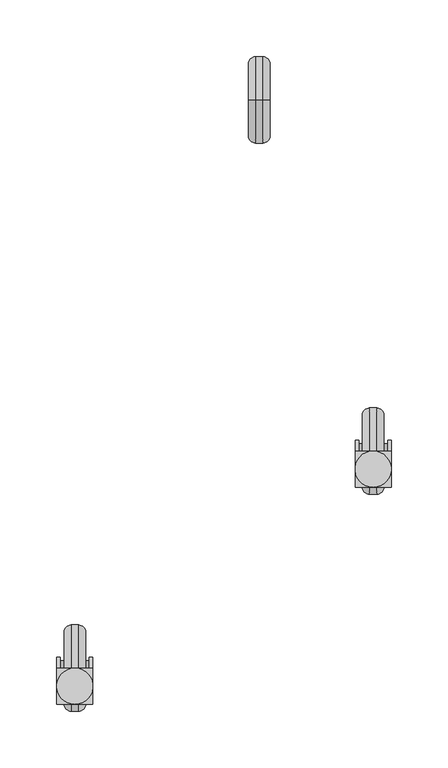
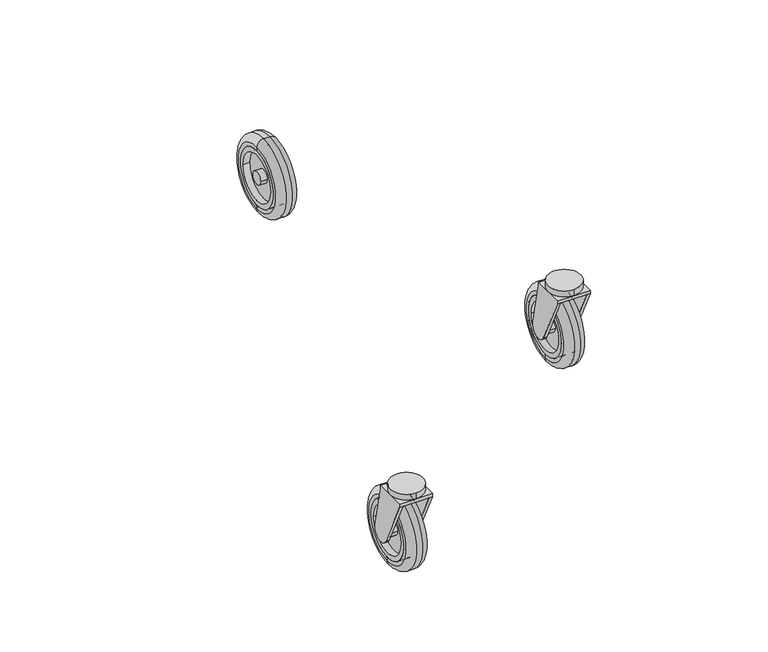
"""IFC4 building model written with IfcOpenShell, lengths in millimetres: proxy geometry."""

from ifc_helpers import new_model, si_unit, point, frame, frame_2d, origin, place, context, project, spatial, polyline, circle_curve, ellipse_curve, trimmed, segment, composite_curve, outline, extrude, source, transform, mapped, element, save
from ifc_brep_helpers import plane_surface, cylinder_surface, revolved_surface, advanced_brep


def specialty_equipment_63fafa33(model_context):
    return source(origin(), model_context, "Body", "SolidModel", [
        advanced_brep(
        [(-9.525, -260.35, 6.35), (-9.525, -260.35, 69.85), (-3.175, -260.35, 76.2), (-3.175, -260.35, 0.0), (-9.525, -260.35, 10.16), (-9.525, -260.35, 66.04), (9.525, -260.35, 10.16), (9.525, -260.35, 66.04), (9.525, -260.35, 6.35), (9.525, -260.35, 69.85), (3.175, -260.35, 0.0), (3.175, -260.35, 76.2)],
        [
            (0, 1, circle_curve(frame((-9.525, -260.35, 38.1), z_axis=(1.0, 0.0, 0.0), x_axis=(0.0, 0.0, 1.0)), 31.75)),
            (1, 2, circle_curve(frame((-3.175, -260.35, 69.85), z_axis=(0.0, 1.0, 0.0), x_axis=(1.0, 0.0, 0.0)), 6.35)),
            (2, 3, circle_curve(frame((-3.175, -260.35, 38.1), z_axis=(-1.0, 0.0, 0.0), x_axis=(0.0, 0.0, 1.0)), 38.1)),
            (3, 0, circle_curve(frame((-3.175, -260.35, 6.35), z_axis=(0.0, 1.0, 0.0), x_axis=(1.0, 0.0, 0.0)), 6.35)),
            (1, 0, circle_curve(frame((-9.525, -260.35, 38.1), z_axis=(1.0, 0.0, 0.0), x_axis=(0.0, 0.0, 1.0)), 31.75)),
            (3, 2, circle_curve(frame((-3.175, -260.35, 38.1), z_axis=(-1.0, 0.0, 0.0), x_axis=(0.0, 0.0, 1.0)), 38.1)),
            (4, 5, circle_curve(frame((-9.525, -260.35, 38.1), z_axis=(1.0, 0.0, 0.0), x_axis=(0.0, 0.0, 1.0)), 27.94)),
            (5, 1),
            (0, 4),
            (5, 4, circle_curve(frame((-9.525, -260.35, 38.1), z_axis=(1.0, 0.0, 0.0), x_axis=(0.0, 0.0, 1.0)), 27.94)),
            (6, 7, circle_curve(frame((9.525, -260.35, 38.1), z_axis=(1.0, 0.0, 0.0), x_axis=(0.0, 0.0, 1.0)), 27.94)),
            (7, 5),
            (4, 6),
            (7, 6, circle_curve(frame((9.525, -260.35, 38.1), z_axis=(1.0, 0.0, 0.0), x_axis=(0.0, 0.0, 1.0)), 27.94)),
            (8, 9, circle_curve(frame((9.525, -260.35, 38.1), z_axis=(1.0, 0.0, 0.0), x_axis=(0.0, 0.0, 1.0)), 31.75)),
            (9, 7),
            (6, 8),
            (9, 8, circle_curve(frame((9.525, -260.35, 38.1), z_axis=(1.0, 0.0, 0.0), x_axis=(0.0, 0.0, 1.0)), 31.75)),
            (10, 11, circle_curve(frame((3.175, -260.35, 38.1), z_axis=(1.0, 0.0, 0.0), x_axis=(0.0, 0.0, 1.0)), 38.1)),
            (11, 9, circle_curve(frame((3.175, -260.35, 69.85), z_axis=(0.0, 1.0, 0.0), x_axis=(1.0, 0.0, 0.0)), 6.35)),
            (8, 10, circle_curve(frame((3.175, -260.35, 6.35), z_axis=(0.0, 1.0, 0.0), x_axis=(1.0, 0.0, 0.0)), 6.35)),
            (11, 10, circle_curve(frame((3.175, -260.35, 38.1), z_axis=(1.0, 0.0, 0.0), x_axis=(0.0, 0.0, 1.0)), 38.1)),
            (2, 11),
            (10, 3),
        ],
        [
            revolved_surface(trimmed(ellipse_curve(frame((-3.175, -260.35, 69.85), z_axis=(0.0, -1.0, 0.0), x_axis=(1.0, 0.0, 0.0)), 6.35, 6.35), [point((-3.175, -260.35, 76.2))], [point((-9.525, -260.35, 69.85))], True, "CARTESIAN"), (-22.225, -260.35, 38.1), (-1.0, 0.0, 0.0)),
            plane_surface(frame((-9.525, -260.35, 38.1), z_axis=(-1.0, 0.0, 0.0), x_axis=(0.0, 0.0, 1.0))),
            revolved_surface(polyline([(-9.525, -260.35, 66.04), (9.524999999999999, -260.35, 66.04)]), (-22.225, -260.35, 38.1), (-1.0, 0.0, 0.0)),
            plane_surface(frame((9.525, -260.35, 38.1), z_axis=(1.0, 0.0, 0.0), x_axis=(0.0, 0.0, 1.0))),
            revolved_surface(trimmed(ellipse_curve(frame((3.175, -260.35, 69.85), z_axis=(0.0, -1.0, 0.0), x_axis=(1.0, 0.0, 0.0)), 6.35, 6.35), [point((9.525, -260.35, 69.85))], [point((3.175, -260.35, 76.2))], True, "CARTESIAN"), (-22.225, -260.35, 38.1), (-1.0, 0.0, 0.0)),
            cylinder_surface(frame((-22.225, -260.35, 38.1), z_axis=(-1.0, 0.0, 0.0), x_axis=(0.0, 0.0, 1.0)), 38.1),
        ],
        [
            (0, [[1, 2, 3, 4]]),
            (0, [[5, -4, 6, -2]]),
            (1, [[7, 8, -1, 9]]),
            (1, [[10, -9, -5, -8]]),
            (2, [[11, 12, -7, 13]]),
            (2, [[14, -13, -10, -12]]),
            (3, [[15, 16, -11, 17]]),
            (3, [[18, -17, -14, -16]]),
            (4, [[19, 20, -15, 21]]),
            (4, [[22, -21, -18, -20]]),
            (5, [[-3, 23, -19, 24]]),
            (5, [[-6, -24, -22, -23]]),
        ],
    ),
        advanced_brep(
        [(-9.525, -232.41, 38.1), (-9.525, -288.29, 38.1), (-9.525, -237.49, 38.1), (-9.525, -283.21, 38.1), (-9.525, -254.0, 38.1), (-9.525, -266.7, 38.1), (-3.175, -232.41, 38.1), (-3.175, -288.29, 38.1), (-3.175, -254.0, 38.1), (-3.175, -266.7, 38.1), (-3.175, -237.49, 38.1), (-3.175, -283.21, 38.1), (3.175, -283.21, 38.1), (3.175, -237.49, 38.1), (3.175, -266.7, 38.1), (3.175, -254.0, 38.1), (3.175, -232.41, 38.1), (3.175, -288.29, 38.1), (9.525, -232.41, 38.1), (9.525, -288.29, 38.1), (9.525, -237.49, 38.1), (9.525, -283.21, 38.1), (9.525, -254.0, 38.1), (9.525, -266.7, 38.1)],
        [
            (0, 1, circle_curve(frame((-9.525, -260.35, 38.1), z_axis=(-1.0, 3.503364265355912e-12, 0.0), x_axis=(-3.503364265355912e-12, -1.0, 0.0)), 27.94)),
            (1, 0, circle_curve(frame((-9.525, -260.35, 38.1), z_axis=(-1.0, 3.503364265355912e-12, 0.0), x_axis=(-3.503364265355912e-12, -1.0, 0.0)), 27.94)),
            (2, 3, circle_curve(frame((-9.525, -260.35, 38.1), z_axis=(1.0, -3.503364265355912e-12, 0.0), x_axis=(-3.503364265355912e-12, -1.0, 0.0)), 22.86)),
            (3, 2, circle_curve(frame((-9.525, -260.35, 38.1), z_axis=(1.0, -3.503364265355912e-12, 0.0), x_axis=(-3.503364265355912e-12, -1.0, 0.0)), 22.86)),
            (4, 5, circle_curve(frame((-9.525, -260.35, 38.1), z_axis=(-1.0, 3.503364265355912e-12, 0.0), x_axis=(-3.503364265355912e-12, -1.0, 0.0)), 6.35)),
            (5, 4, circle_curve(frame((-9.525, -260.35, 38.1), z_axis=(-1.0, 3.503364265355912e-12, 0.0), x_axis=(-3.503364265355912e-12, -1.0, 0.0)), 6.35)),
            (0, 6),
            (6, 7, circle_curve(frame((-3.175, -260.35, 38.1), z_axis=(-1.0, 3.503364265355912e-12, 0.0), x_axis=(-3.503364265355912e-12, -1.0, 0.0)), 27.94)),
            (7, 1),
            (7, 6, circle_curve(frame((-3.175, -260.35, 38.1), z_axis=(-1.0, 3.503364265355912e-12, 0.0), x_axis=(-3.503364265355912e-12, -1.0, 0.0)), 27.94)),
            (4, 8),
            (8, 9, circle_curve(frame((-3.175, -260.35, 38.1), z_axis=(-1.0, 3.503364265355912e-12, 0.0), x_axis=(-3.503364265355912e-12, -1.0, 0.0)), 6.35)),
            (9, 5),
            (9, 8, circle_curve(frame((-3.175, -260.35, 38.1), z_axis=(-1.0, 3.503364265355912e-12, 0.0), x_axis=(-3.503364265355912e-12, -1.0, 0.0)), 6.35)),
            (2, 10),
            (10, 11, circle_curve(frame((-3.175, -260.35, 38.1), z_axis=(1.0, -3.503364265355912e-12, 0.0), x_axis=(-3.503364265355912e-12, -1.0, 0.0)), 22.86)),
            (11, 3),
            (11, 10, circle_curve(frame((-3.175, -260.35, 38.1), z_axis=(1.0, -3.503364265355912e-12, 0.0), x_axis=(-3.503364265355912e-12, -1.0, 0.0)), 22.86)),
            (12, 13, circle_curve(frame((3.175, -260.35, 38.1), z_axis=(1.0, -3.503364265355912e-12, 0.0), x_axis=(-3.503364265355912e-12, -1.0, 0.0)), 22.86)),
            (13, 12, circle_curve(frame((3.175, -260.35, 38.1), z_axis=(1.0, -3.503364265355912e-12, 0.0), x_axis=(-3.503364265355912e-12, -1.0, 0.0)), 22.86)),
            (14, 15, circle_curve(frame((3.175, -260.35, 38.1), z_axis=(-1.0, 3.503364265355912e-12, 0.0), x_axis=(-3.503364265355912e-12, -1.0, 0.0)), 6.35)),
            (15, 14, circle_curve(frame((3.175, -260.35, 38.1), z_axis=(-1.0, 3.503364265355912e-12, 0.0), x_axis=(-3.503364265355912e-12, -1.0, 0.0)), 6.35)),
            (6, 16),
            (16, 17, circle_curve(frame((3.175, -260.35, 38.1), z_axis=(-1.0, 3.503364265355912e-12, 0.0), x_axis=(-3.503364265355912e-12, -1.0, 0.0)), 27.94)),
            (17, 7),
            (17, 16, circle_curve(frame((3.175, -260.35, 38.1), z_axis=(-1.0, 3.503364265355912e-12, 0.0), x_axis=(-3.503364265355912e-12, -1.0, 0.0)), 27.94)),
            (18, 19, circle_curve(frame((9.525, -260.35, 38.1), z_axis=(1.0, -3.503364265355912e-12, 0.0), x_axis=(-3.503364265355912e-12, -1.0, 0.0)), 27.94)),
            (19, 18, circle_curve(frame((9.525, -260.35, 38.1), z_axis=(1.0, -3.503364265355912e-12, 0.0), x_axis=(-3.503364265355912e-12, -1.0, 0.0)), 27.94)),
            (20, 21, circle_curve(frame((9.525, -260.35, 38.1), z_axis=(-1.0, 3.503364265355912e-12, 0.0), x_axis=(-3.503364265355912e-12, -1.0, 0.0)), 22.86)),
            (21, 20, circle_curve(frame((9.525, -260.35, 38.1), z_axis=(-1.0, 3.503364265355912e-12, 0.0), x_axis=(-3.503364265355912e-12, -1.0, 0.0)), 22.86)),
            (22, 23, circle_curve(frame((9.525, -260.35, 38.1), z_axis=(1.0, -3.503364265355912e-12, 0.0), x_axis=(-3.503364265355912e-12, -1.0, 0.0)), 6.35)),
            (23, 22, circle_curve(frame((9.525, -260.35, 38.1), z_axis=(1.0, -3.503364265355912e-12, 0.0), x_axis=(-3.503364265355912e-12, -1.0, 0.0)), 6.35)),
            (18, 16),
            (17, 19),
            (22, 15),
            (14, 23),
            (20, 13),
            (12, 21),
        ],
        [
            plane_surface(frame((-9.525, -288.29, 38.1), z_axis=(-1.0, 3.503364265355912e-12, 0.0), x_axis=(0.0, 0.0, 1.0))),
            cylinder_surface(frame((-3.175, -260.35, 38.1), z_axis=(-1.0, 3.503364265355912e-12, 0.0), x_axis=(-3.503364265355912e-12, -1.0, 0.0)), 27.94),
            cylinder_surface(frame((0.0, -260.35, 38.1), z_axis=(-1.0, 3.503364265355912e-12, 0.0), x_axis=(-3.503364265355912e-12, -1.0, 0.0)), 6.35),
            revolved_surface(polyline([(-3.175, -283.2099999999889, 38.1), (-9.525000000160174, -283.20999999996667, 38.1)]), (0.0, -260.35, 38.1), (1.0, -3.503364265355912e-12, 0.0)),
            plane_surface(frame((-3.175, -288.29, 38.1), z_axis=(-1.0, 3.503364265355912e-12, 0.0), x_axis=(0.0, 0.0, 1.0))),
            plane_surface(frame((3.175, -288.29, 38.1), z_axis=(1.0, -3.503364265355912e-12, 0.0), x_axis=(0.0, 0.0, -1.0))),
            cylinder_surface(frame((3.175, -260.35, 38.1), z_axis=(-1.0, 3.503364265355912e-12, 0.0), x_axis=(-3.503364265355912e-12, -1.0, 0.0)), 27.94),
            plane_surface(frame((9.525, -288.29, 38.1), z_axis=(1.0, -3.503364265355912e-12, 0.0), x_axis=(0.0, 0.0, -1.0))),
            cylinder_surface(frame((3.175, -260.35, 38.1), z_axis=(1.0, -3.503364265355912e-12, 0.0), x_axis=(-3.503364265355912e-12, -1.0, 0.0)), 27.94),
            cylinder_surface(frame((0.0, -260.35, 38.1), z_axis=(1.0, -3.503364265355912e-12, 0.0), x_axis=(-3.503364265355912e-12, -1.0, 0.0)), 6.35),
            revolved_surface(polyline([(3.1749999998398257, -283.2100000000112, 38.1), (9.525, -283.2100000000334, 38.1)]), (0.0, -260.35, 38.1), (-1.0, 3.503364265355912e-12, 0.0)),
        ],
        [
            (0, [[1, 2], [3, 4]]),
            (0, [[5, 6]]),
            (1, [[-1, 7, 8, 9]]),
            (1, [[-2, -9, 10, -7]]),
            (2, [[-5, 11, 12, 13]]),
            (2, [[-6, -13, 14, -11]]),
            (3, [[-3, 15, 16, 17]]),
            (3, [[-4, -17, 18, -15]]),
            (4, [[-16, -18], [-12, -14]]),
            (5, [[19, 20], [21, 22]]),
            (6, [[23, 24, 25, -8]]),
            (6, [[-23, -10, -25, 26]]),
            (7, [[27, 28], [29, 30]]),
            (7, [[31, 32]]),
            (8, [[-27, 33, -26, 34]]),
            (8, [[-28, -34, -24, -33]]),
            (9, [[-31, 35, -21, 36]]),
            (9, [[-32, -36, -22, -35]]),
            (10, [[-29, 37, -19, 38]]),
            (10, [[-30, -38, -20, -37]]),
        ],
    ),
        advanced_brep(
        [(15.875, -251.046256, 40.1410714), (15.875, -260.35, 82.55), (15.875, -260.35, 85.725), (15.875, -292.1, 85.725), (15.875, -292.1, 82.55), (15.875, -268.9474401, 34.0000428), (12.7, -251.046256, 40.1410714), (12.7, -268.9474401, 34.0000428), (12.7, -292.1, 82.55), (12.7, -260.35, 82.55), (12.7, -266.7, 38.1), (12.7, -254.0, 38.1), (-12.7, -254.0, 38.1), (-12.7, -266.7, 38.1), (-15.875, -251.046256, 40.1410714), (-15.875, -268.9474401, 34.0000428), (-15.875, -292.1, 82.55), (-15.875, -292.1, 85.725), (-15.875, -260.35, 85.725), (-15.875, -260.35, 82.55), (-12.7, -251.046256, 40.1410714), (-12.7, -260.35, 82.55), (-12.7, -292.1, 82.55), (-12.7, -268.9474401, 34.0000428)],
        [
            (0, 1),
            (1, 2),
            (2, 3),
            (3, 4),
            (4, 5),
            (5, 0, circle_curve(frame((15.875, -260.35, 38.1), z_axis=(1.0, -3.503364265355912e-12, 0.0), x_axis=(-3.503364265355912e-12, -1.0, 0.0)), 9.525)),
            (6, 7, circle_curve(frame((12.7, -260.35, 38.1), z_axis=(-1.0, 3.503364265355912e-12, 0.0), x_axis=(-3.503364265355912e-12, -1.0, 0.0)), 9.525)),
            (7, 8),
            (8, 9),
            (9, 6),
            (10, 11, circle_curve(frame((12.7, -260.35, 38.1), z_axis=(1.0, -3.503364265355912e-12, 0.0), x_axis=(-3.503364265355912e-12, -1.0, 0.0)), 6.35)),
            (11, 10, circle_curve(frame((12.7, -260.35, 38.1), z_axis=(1.0, -3.503364265355912e-12, 0.0), x_axis=(-3.503364265355912e-12, -1.0, 0.0)), 6.35)),
            (0, 6),
            (9, 1),
            (4, 8),
            (7, 5),
            (12, 11),
            (10, 13),
            (13, 12, circle_curve(frame((-12.7, -260.35, 38.1), z_axis=(1.0, -3.503364265355912e-12, 0.0), x_axis=(-3.503364265355912e-12, -1.0, 0.0)), 6.35)),
            (12, 13, circle_curve(frame((-12.7, -260.35, 38.1), z_axis=(1.0, -3.503364265355912e-12, 0.0), x_axis=(-3.503364265355912e-12, -1.0, 0.0)), 6.35)),
            (14, 15, circle_curve(frame((-15.875, -260.35, 38.1), z_axis=(-1.0, 3.503364265355912e-12, 0.0), x_axis=(-3.503364265355912e-12, -1.0, 0.0)), 9.525)),
            (15, 16),
            (16, 17),
            (17, 18),
            (18, 19),
            (19, 14),
            (20, 21),
            (21, 22),
            (22, 23),
            (23, 20, circle_curve(frame((-12.7, -260.35, 38.1), z_axis=(1.0, -3.503364265355912e-12, 0.0), x_axis=(-3.503364265355912e-12, -1.0, 0.0)), 9.525)),
            (14, 20),
            (23, 15),
            (22, 16),
            (19, 21),
            (2, 18),
            (17, 3),
            (21, 9),
            (8, 22),
        ],
        [
            plane_surface(frame((15.875, -260.35, 82.55), z_axis=(1.0, -3.503364265355912e-12, 0.0), x_axis=(0.0, -0.21428571428571286, 0.9767710236555248))),
            plane_surface(frame((12.7, -260.35, 82.55), z_axis=(-1.0, 3.503364265355912e-12, 0.0), x_axis=(0.0, 0.21428571428571286, -0.9767710236555248))),
            plane_surface(frame((15.875, -251.046256, 40.1410714), z_axis=(3.422093143077904e-12, 0.9767710236555248, 0.21428571428571286), x_axis=(-1.0, 3.5034752876583736e-12, 0.0))),
            plane_surface(frame((15.875, -292.1, 82.55), z_axis=(-3.162301192840713e-12, -0.9026183812343395, -0.4304417008816649), x_axis=(-1.0, 3.5034752876583736e-12, 0.0))),
            cylinder_surface(frame((12.7, -260.35, 38.1), z_axis=(1.0, -3.503364265355912e-12, 0.0), x_axis=(-3.503364265355912e-12, -1.0, 0.0)), 9.525),
            cylinder_surface(frame((12.7, -260.35, 38.1), z_axis=(-1.0, 3.503364265355912e-12, 0.0), x_axis=(-3.503364265355912e-12, -1.0, 0.0)), 6.35),
            plane_surface(frame((-15.875, -269.875, 38.1), z_axis=(-1.0, 3.503364265355912e-12, 0.0), x_axis=(0.0, 0.0, 1.0))),
            plane_surface(frame((-12.7, -269.875, 38.1), z_axis=(1.0, -3.503364265355912e-12, 0.0), x_axis=(0.0, 0.0, -1.0))),
            cylinder_surface(frame((-12.7, -260.35, 38.1), z_axis=(-1.0, 3.503364265355912e-12, 0.0), x_axis=(-3.503364265355912e-12, -1.0, 0.0)), 9.525),
            plane_surface(frame((-15.875, -268.9474401, 34.0000428), z_axis=(-3.162301192840713e-12, -0.9026183812343395, -0.4304417008816649), x_axis=(1.0, -3.5034752876583736e-12, 0.0))),
            plane_surface(frame((-15.875, -260.35, 82.55), z_axis=(3.422093143077904e-12, 0.9767710236555248, 0.21428571428571286), x_axis=(1.0, -3.5034752876583736e-12, 0.0))),
            plane_surface(frame((15.875, -260.35, 85.725), z_axis=(0.0, 0.0, 1.0), x_axis=(3.5033420608954205e-12, 1.0, 0.0))),
            plane_surface(frame((15.875, -260.35, 82.55), z_axis=(0.0, 0.0, -1.0), x_axis=(-3.5033420608954205e-12, -1.0, 0.0))),
            plane_surface(frame((15.875, -260.35, 85.725), z_axis=(3.5034086742768216e-12, 1.0, 0.0), x_axis=(0.0, 0.0, -1.0))),
            plane_surface(frame((-15.875, -292.1, 85.725), z_axis=(-3.503342060895344e-12, -1.0, 0.0), x_axis=(0.0, 0.0, -1.0))),
        ],
        [
            (0, [[1, 2, 3, 4, 5, 6]]),
            (1, [[7, 8, 9, 10], [11, 12]]),
            (2, [[-1, 13, -10, 14]]),
            (3, [[-5, 15, -8, 16]]),
            (4, [[-6, -16, -7, -13]]),
            (5, [[17, -11, 18, 19]]),
            (5, [[-17, 20, -18, -12]]),
            (6, [[21, 22, 23, 24, 25, 26]]),
            (7, [[27, 28, 29, 30], [-19, -20]]),
            (8, [[-21, 31, -30, 32]]),
            (9, [[-22, -32, -29, 33]]),
            (10, [[-26, 34, -27, -31]]),
            (11, [[-3, 35, -24, 36]]),
            (12, [[37, -9, 38, -28]]),
            (13, [[-35, -2, -14, -37, -34, -25]]),
            (14, [[-36, -23, -33, -38, -15, -4]]),
        ],
    ),
        extrude(outline(composite_curve([segment(trimmed(circle_curve(frame_2d((0.0, -276.225)), 15.875), [point((0.0, -260.35))], [point((0.0, -292.1))], False, "CARTESIAN"), True, "CONTINUOUS"), segment(trimmed(circle_curve(frame_2d((0.0, -276.225)), 15.875), [point((0.0, -292.1))], [point((0.0, -260.35))], False, "CARTESIAN"), True, "CONTINUOUS")], self_intersect=False)), frame((0.0, 0.0, 85.725), z_axis=(0.0, 0.0, 1.0), x_axis=(1.0, 0.0, 0.0)), (0.0, 0.0, 1.0), 6.35),
        advanced_brep(
        [(253.1805862, -69.4832193, 6.35), (253.1805862, -69.4832193, 69.85), (259.5305862, -69.4832193, 76.2), (259.5305862, -69.4832193, 0.0), (253.1805862, -69.4832193, 10.16), (253.1805862, -69.4832193, 66.04), (272.2305862, -69.4832193, 10.16), (272.2305862, -69.4832193, 66.04), (272.2305862, -69.4832193, 6.35), (272.2305862, -69.4832193, 69.85), (265.8805862, -69.4832193, 0.0), (265.8805862, -69.4832193, 76.2)],
        [
            (0, 1, circle_curve(frame((253.1805862, -69.4832193, 38.1), z_axis=(1.0, 0.0, 0.0), x_axis=(0.0, 0.0, 1.0)), 31.75)),
            (1, 2, circle_curve(frame((259.5305862, -69.4832193, 69.85), z_axis=(0.0, 1.0, 0.0), x_axis=(1.0, 0.0, 0.0)), 6.35)),
            (2, 3, circle_curve(frame((259.5305862, -69.4832193, 38.1), z_axis=(-1.0, 0.0, 0.0), x_axis=(0.0, 0.0, 1.0)), 38.1)),
            (3, 0, circle_curve(frame((259.5305862, -69.4832193, 6.35), z_axis=(0.0, 1.0, 0.0), x_axis=(1.0, 0.0, 0.0)), 6.35)),
            (1, 0, circle_curve(frame((253.1805862, -69.4832193, 38.1), z_axis=(1.0, 0.0, 0.0), x_axis=(0.0, 0.0, 1.0)), 31.75)),
            (3, 2, circle_curve(frame((259.5305862, -69.4832193, 38.1), z_axis=(-1.0, 0.0, 0.0), x_axis=(0.0, 0.0, 1.0)), 38.1)),
            (4, 5, circle_curve(frame((253.1805862, -69.4832193, 38.1), z_axis=(1.0, 0.0, 0.0), x_axis=(0.0, 0.0, 1.0)), 27.94)),
            (5, 1),
            (0, 4),
            (5, 4, circle_curve(frame((253.1805862, -69.4832193, 38.1), z_axis=(1.0, 0.0, 0.0), x_axis=(0.0, 0.0, 1.0)), 27.94)),
            (6, 7, circle_curve(frame((272.2305862, -69.4832193, 38.1), z_axis=(1.0, 0.0, 0.0), x_axis=(0.0, 0.0, 1.0)), 27.94)),
            (7, 5),
            (4, 6),
            (7, 6, circle_curve(frame((272.2305862, -69.4832193, 38.1), z_axis=(1.0, 0.0, 0.0), x_axis=(0.0, 0.0, 1.0)), 27.94)),
            (8, 9, circle_curve(frame((272.2305862, -69.4832193, 38.1), z_axis=(1.0, 0.0, 0.0), x_axis=(0.0, 0.0, 1.0)), 31.75)),
            (9, 7),
            (6, 8),
            (9, 8, circle_curve(frame((272.2305862, -69.4832193, 38.1), z_axis=(1.0, 0.0, 0.0), x_axis=(0.0, 0.0, 1.0)), 31.75)),
            (10, 11, circle_curve(frame((265.8805862, -69.4832193, 38.1), z_axis=(1.0, 0.0, 0.0), x_axis=(0.0, 0.0, 1.0)), 38.1)),
            (11, 9, circle_curve(frame((265.8805862, -69.4832193, 69.85), z_axis=(0.0, 1.0, 0.0), x_axis=(1.0, 0.0, 0.0)), 6.35)),
            (8, 10, circle_curve(frame((265.8805862, -69.4832193, 6.35), z_axis=(0.0, 1.0, 0.0), x_axis=(1.0, 0.0, 0.0)), 6.35)),
            (11, 10, circle_curve(frame((265.8805862, -69.4832193, 38.1), z_axis=(1.0, 0.0, 0.0), x_axis=(0.0, 0.0, 1.0)), 38.1)),
            (2, 11),
            (10, 3),
        ],
        [
            revolved_surface(trimmed(ellipse_curve(frame((259.5305862, -69.4832193, 69.85), z_axis=(0.0, -1.0, 0.0), x_axis=(1.0, 0.0, 0.0)), 6.35, 6.35), [point((259.5305862, -69.4832193, 76.2))], [point((253.1805862, -69.4832193, 69.85))], True, "CARTESIAN"), (240.4805862, -69.4832193, 38.1), (-1.0, 0.0, 0.0)),
            plane_surface(frame((253.1805862, -69.4832193, 38.1), z_axis=(-1.0, 0.0, 0.0), x_axis=(0.0, 0.0, 1.0))),
            revolved_surface(polyline([(253.1805862, -69.4832193, 66.04), (272.2305862, -69.4832193, 66.04)]), (240.4805862, -69.4832193, 38.1), (-1.0, 0.0, 0.0)),
            plane_surface(frame((272.2305862, -69.4832193, 38.1), z_axis=(1.0, 0.0, 0.0), x_axis=(0.0, 0.0, 1.0))),
            revolved_surface(trimmed(ellipse_curve(frame((265.8805862, -69.4832193, 69.85), z_axis=(0.0, -1.0, 0.0), x_axis=(1.0, 0.0, 0.0)), 6.35, 6.35), [point((272.2305862, -69.4832193, 69.85))], [point((265.8805862, -69.4832193, 76.2))], True, "CARTESIAN"), (240.4805862, -69.4832193, 38.1), (-1.0, 0.0, 0.0)),
            cylinder_surface(frame((240.4805862, -69.4832193, 38.1), z_axis=(-1.0, 0.0, 0.0), x_axis=(0.0, 0.0, 1.0)), 38.1),
        ],
        [
            (0, [[1, 2, 3, 4]]),
            (0, [[5, -4, 6, -2]]),
            (1, [[7, 8, -1, 9]]),
            (1, [[10, -9, -5, -8]]),
            (2, [[11, 12, -7, 13]]),
            (2, [[14, -13, -10, -12]]),
            (3, [[15, 16, -11, 17]]),
            (3, [[18, -17, -14, -16]]),
            (4, [[19, 20, -15, 21]]),
            (4, [[22, -21, -18, -20]]),
            (5, [[-3, 23, -19, 24]]),
            (5, [[-6, -24, -22, -23]]),
        ],
    ),
        advanced_brep(
        [(253.1805862, -41.5432193, 38.1), (253.1805862, -97.4232193, 38.1), (253.1805862, -46.6232193, 38.1), (253.1805862, -92.3432193, 38.1), (253.1805862, -63.1332193, 38.1), (253.1805862, -75.8332193, 38.1), (259.5305862, -41.5432193, 38.1), (259.5305862, -97.4232193, 38.1), (259.5305862, -63.1332193, 38.1), (259.5305862, -75.8332193, 38.1), (259.5305862, -46.6232193, 38.1), (259.5305862, -92.3432193, 38.1), (265.8805862, -92.3432193, 38.1), (265.8805862, -46.6232193, 38.1), (265.8805862, -75.8332193, 38.1), (265.8805862, -63.1332193, 38.1), (265.8805862, -41.5432193, 38.1), (265.8805862, -97.4232193, 38.1), (272.2305862, -41.5432193, 38.1), (272.2305862, -97.4232193, 38.1), (272.2305862, -46.6232193, 38.1), (272.2305862, -92.3432193, 38.1), (272.2305862, -63.1332193, 38.1), (272.2305862, -75.8332193, 38.1)],
        [
            (0, 1, circle_curve(frame((253.1805862, -69.4832193, 38.1), z_axis=(-1.0, 3.920863633766202e-12, 0.0), x_axis=(-3.920863633766202e-12, -1.0, 0.0)), 27.94)),
            (1, 0, circle_curve(frame((253.1805862, -69.4832193, 38.1), z_axis=(-1.0, 3.920863633766202e-12, 0.0), x_axis=(-3.920863633766202e-12, -1.0, 0.0)), 27.94)),
            (2, 3, circle_curve(frame((253.1805862, -69.4832193, 38.1), z_axis=(1.0, -3.920863633766202e-12, 0.0), x_axis=(-3.920863633766202e-12, -1.0, 0.0)), 22.86)),
            (3, 2, circle_curve(frame((253.1805862, -69.4832193, 38.1), z_axis=(1.0, -3.920863633766202e-12, 0.0), x_axis=(-3.920863633766202e-12, -1.0, 0.0)), 22.86)),
            (4, 5, circle_curve(frame((253.1805862, -69.4832193, 38.1), z_axis=(-1.0, 3.920863633766202e-12, 0.0), x_axis=(-3.920863633766202e-12, -1.0, 0.0)), 6.35)),
            (5, 4, circle_curve(frame((253.1805862, -69.4832193, 38.1), z_axis=(-1.0, 3.920863633766202e-12, 0.0), x_axis=(-3.920863633766202e-12, -1.0, 0.0)), 6.35)),
            (0, 6),
            (6, 7, circle_curve(frame((259.5305862, -69.4832193, 38.1), z_axis=(-1.0, 3.920863633766202e-12, 0.0), x_axis=(-3.920863633766202e-12, -1.0, 0.0)), 27.94)),
            (7, 1),
            (7, 6, circle_curve(frame((259.5305862, -69.4832193, 38.1), z_axis=(-1.0, 3.920863633766202e-12, 0.0), x_axis=(-3.920863633766202e-12, -1.0, 0.0)), 27.94)),
            (4, 8),
            (8, 9, circle_curve(frame((259.5305862, -69.4832193, 38.1), z_axis=(-1.0, 3.920863633766202e-12, 0.0), x_axis=(-3.920863633766202e-12, -1.0, 0.0)), 6.35)),
            (9, 5),
            (9, 8, circle_curve(frame((259.5305862, -69.4832193, 38.1), z_axis=(-1.0, 3.920863633766202e-12, 0.0), x_axis=(-3.920863633766202e-12, -1.0, 0.0)), 6.35)),
            (2, 10),
            (10, 11, circle_curve(frame((259.5305862, -69.4832193, 38.1), z_axis=(1.0, -3.920863633766202e-12, 0.0), x_axis=(-3.920863633766202e-12, -1.0, 0.0)), 22.86)),
            (11, 3),
            (11, 10, circle_curve(frame((259.5305862, -69.4832193, 38.1), z_axis=(1.0, -3.920863633766202e-12, 0.0), x_axis=(-3.920863633766202e-12, -1.0, 0.0)), 22.86)),
            (12, 13, circle_curve(frame((265.8805862, -69.4832193, 38.1), z_axis=(1.0, -3.920863633766202e-12, 0.0), x_axis=(-3.920863633766202e-12, -1.0, 0.0)), 22.86)),
            (13, 12, circle_curve(frame((265.8805862, -69.4832193, 38.1), z_axis=(1.0, -3.920863633766202e-12, 0.0), x_axis=(-3.920863633766202e-12, -1.0, 0.0)), 22.86)),
            (14, 15, circle_curve(frame((265.8805862, -69.4832193, 38.1), z_axis=(-1.0, 3.920863633766202e-12, 0.0), x_axis=(-3.920863633766202e-12, -1.0, 0.0)), 6.35)),
            (15, 14, circle_curve(frame((265.8805862, -69.4832193, 38.1), z_axis=(-1.0, 3.920863633766202e-12, 0.0), x_axis=(-3.920863633766202e-12, -1.0, 0.0)), 6.35)),
            (6, 16),
            (16, 17, circle_curve(frame((265.8805862, -69.4832193, 38.1), z_axis=(-1.0, 3.920863633766202e-12, 0.0), x_axis=(-3.920863633766202e-12, -1.0, 0.0)), 27.94)),
            (17, 7),
            (17, 16, circle_curve(frame((265.8805862, -69.4832193, 38.1), z_axis=(-1.0, 3.920863633766202e-12, 0.0), x_axis=(-3.920863633766202e-12, -1.0, 0.0)), 27.94)),
            (18, 19, circle_curve(frame((272.2305862, -69.4832193, 38.1), z_axis=(1.0, -3.920863633766202e-12, 0.0), x_axis=(-3.920863633766202e-12, -1.0, 0.0)), 27.94)),
            (19, 18, circle_curve(frame((272.2305862, -69.4832193, 38.1), z_axis=(1.0, -3.920863633766202e-12, 0.0), x_axis=(-3.920863633766202e-12, -1.0, 0.0)), 27.94)),
            (20, 21, circle_curve(frame((272.2305862, -69.4832193, 38.1), z_axis=(-1.0, 3.920863633766202e-12, 0.0), x_axis=(-3.920863633766202e-12, -1.0, 0.0)), 22.86)),
            (21, 20, circle_curve(frame((272.2305862, -69.4832193, 38.1), z_axis=(-1.0, 3.920863633766202e-12, 0.0), x_axis=(-3.920863633766202e-12, -1.0, 0.0)), 22.86)),
            (22, 23, circle_curve(frame((272.2305862, -69.4832193, 38.1), z_axis=(1.0, -3.920863633766202e-12, 0.0), x_axis=(-3.920863633766202e-12, -1.0, 0.0)), 6.35)),
            (23, 22, circle_curve(frame((272.2305862, -69.4832193, 38.1), z_axis=(1.0, -3.920863633766202e-12, 0.0), x_axis=(-3.920863633766202e-12, -1.0, 0.0)), 6.35)),
            (18, 16),
            (17, 19),
            (22, 15),
            (14, 23),
            (20, 13),
            (12, 21),
        ],
        [
            plane_surface(frame((253.1805862, -97.4232193, 38.1), z_axis=(-1.0, 3.920863633766202e-12, 0.0), x_axis=(0.0, 0.0, 1.0))),
            cylinder_surface(frame((259.5305862, -69.4832193, 38.1), z_axis=(-1.0, 3.920863633766202e-12, 0.0), x_axis=(-3.920863633766202e-12, -1.0, 0.0)), 27.94),
            cylinder_surface(frame((262.7055862, -69.4832193, 38.1), z_axis=(-1.0, 3.920863633766202e-12, 0.0), x_axis=(-3.920863633766202e-12, -1.0, 0.0)), 6.35),
            revolved_surface(polyline([(259.5305862, -92.34321929998755, 38.1), (253.1805861998207, -92.34321929996266, 38.1)]), (262.7055862, -69.4832193, 38.1), (1.0, -3.920863633766202e-12, 0.0)),
            plane_surface(frame((259.5305862, -97.4232193, 38.1), z_axis=(-1.0, 3.920863633766202e-12, 0.0), x_axis=(0.0, 0.0, 1.0))),
            plane_surface(frame((265.8805862, -97.4232193, 38.1), z_axis=(1.0, -3.920863633766202e-12, 0.0), x_axis=(0.0, 0.0, -1.0))),
            cylinder_surface(frame((265.8805862, -69.4832193, 38.1), z_axis=(-1.0, 3.920863633766202e-12, 0.0), x_axis=(-3.920863633766202e-12, -1.0, 0.0)), 27.94),
            plane_surface(frame((272.2305862, -97.4232193, 38.1), z_axis=(1.0, -3.920863633766202e-12, 0.0), x_axis=(0.0, 0.0, -1.0))),
            cylinder_surface(frame((265.8805862, -69.4832193, 38.1), z_axis=(1.0, -3.920863633766202e-12, 0.0), x_axis=(-3.920863633766202e-12, -1.0, 0.0)), 27.94),
            cylinder_surface(frame((262.7055862, -69.4832193, 38.1), z_axis=(1.0, -3.920863633766202e-12, 0.0), x_axis=(-3.920863633766202e-12, -1.0, 0.0)), 6.35),
            revolved_surface(polyline([(265.8805861998207, -92.34321930001245, 38.1), (272.2305862, -92.34321930003735, 38.1)]), (262.7055862, -69.4832193, 38.1), (-1.0, 3.920863633766202e-12, 0.0)),
        ],
        [
            (0, [[1, 2], [3, 4]]),
            (0, [[5, 6]]),
            (1, [[-1, 7, 8, 9]]),
            (1, [[-2, -9, 10, -7]]),
            (2, [[-5, 11, 12, 13]]),
            (2, [[-6, -13, 14, -11]]),
            (3, [[-3, 15, 16, 17]]),
            (3, [[-4, -17, 18, -15]]),
            (4, [[-16, -18], [-12, -14]]),
            (5, [[19, 20], [21, 22]]),
            (6, [[23, 24, 25, -8]]),
            (6, [[-23, -10, -25, 26]]),
            (7, [[27, 28], [29, 30]]),
            (7, [[31, 32]]),
            (8, [[-27, 33, -26, 34]]),
            (8, [[-28, -34, -24, -33]]),
            (9, [[-31, 35, -21, 36]]),
            (9, [[-32, -36, -22, -35]]),
            (10, [[-29, 37, -19, 38]]),
            (10, [[-30, -38, -20, -37]]),
        ],
    ),
        advanced_brep(
        [(278.5805862, -60.1794753, 40.1410714), (278.5805862, -69.4832193, 82.55), (278.5805862, -69.4832193, 85.725), (278.5805862, -101.2332193, 85.725), (278.5805862, -101.2332193, 82.55), (278.5805862, -78.0806594, 34.0000428), (275.4055862, -60.1794753, 40.1410714), (275.4055862, -78.0806594, 34.0000428), (275.4055862, -101.2332193, 82.55), (275.4055862, -69.4832193, 82.55), (275.4055862, -75.8332193, 38.1), (275.4055862, -63.1332193, 38.1), (250.0055862, -63.1332193, 38.1), (250.0055862, -75.8332193, 38.1), (246.8305862, -60.1794753, 40.1410714), (246.8305862, -78.0806594, 34.0000428), (246.8305862, -101.2332193, 82.55), (246.8305862, -101.2332193, 85.725), (246.8305862, -69.4832193, 85.725), (246.8305862, -69.4832193, 82.55), (250.0055862, -60.1794753, 40.1410714), (250.0055862, -69.4832193, 82.55), (250.0055862, -101.2332193, 82.55), (250.0055862, -78.0806594, 34.0000428)],
        [
            (0, 1),
            (1, 2),
            (2, 3),
            (3, 4),
            (4, 5),
            (5, 0, circle_curve(frame((278.5805862, -69.4832193, 38.1), z_axis=(1.0, -3.920863633766202e-12, 0.0), x_axis=(-3.920863633766202e-12, -1.0, 0.0)), 9.525)),
            (6, 7, circle_curve(frame((275.4055862, -69.4832193, 38.1), z_axis=(-1.0, 3.920863633766202e-12, 0.0), x_axis=(-3.920863633766202e-12, -1.0, 0.0)), 9.525)),
            (7, 8),
            (8, 9),
            (9, 6),
            (10, 11, circle_curve(frame((275.4055862, -69.4832193, 38.1), z_axis=(1.0, -3.920863633766202e-12, 0.0), x_axis=(-3.920863633766202e-12, -1.0, 0.0)), 6.35)),
            (11, 10, circle_curve(frame((275.4055862, -69.4832193, 38.1), z_axis=(1.0, -3.920863633766202e-12, 0.0), x_axis=(-3.920863633766202e-12, -1.0, 0.0)), 6.35)),
            (0, 6),
            (9, 1),
            (4, 8),
            (7, 5),
            (12, 11),
            (10, 13),
            (13, 12, circle_curve(frame((250.0055862, -69.4832193, 38.1), z_axis=(1.0, -3.920863633766202e-12, 0.0), x_axis=(-3.920863633766202e-12, -1.0, 0.0)), 6.35)),
            (12, 13, circle_curve(frame((250.0055862, -69.4832193, 38.1), z_axis=(1.0, -3.920863633766202e-12, 0.0), x_axis=(-3.920863633766202e-12, -1.0, 0.0)), 6.35)),
            (14, 15, circle_curve(frame((246.8305862, -69.4832193, 38.1), z_axis=(-1.0, 3.920863633766202e-12, 0.0), x_axis=(-3.920863633766202e-12, -1.0, 0.0)), 9.525)),
            (15, 16),
            (16, 17),
            (17, 18),
            (18, 19),
            (19, 14),
            (20, 21),
            (21, 22),
            (22, 23),
            (23, 20, circle_curve(frame((250.0055862, -69.4832193, 38.1), z_axis=(1.0, -3.920863633766202e-12, 0.0), x_axis=(-3.920863633766202e-12, -1.0, 0.0)), 9.525)),
            (14, 20),
            (23, 15),
            (22, 16),
            (19, 21),
            (2, 18),
            (17, 3),
            (21, 9),
            (8, 22),
        ],
        [
            plane_surface(frame((278.5805862, -69.4832193, 82.55), z_axis=(1.0, -3.920863633766201e-12, 0.0), x_axis=(0.0, -0.21428571428571286, 0.9767710236555248))),
            plane_surface(frame((275.4055862, -69.4832193, 82.55), z_axis=(-1.0, 3.920863633766201e-12, 0.0), x_axis=(0.0, 0.21428571428571286, -0.9767710236555248))),
            plane_surface(frame((278.5805862, -60.1794753, 40.1410714), z_axis=(3.829894428535558e-12, 0.9767710236555248, 0.21428571428571286), x_axis=(-1.0, 3.920974656068664e-12, 0.0))),
            plane_surface(frame((278.5805862, -101.2332193, 82.55), z_axis=(-3.539143796921568e-12, -0.9026183812343395, -0.4304417008816649), x_axis=(-1.0, 3.920974656068664e-12, 0.0))),
            cylinder_surface(frame((275.4055862, -69.4832193, 38.1), z_axis=(1.0, -3.920863633766202e-12, 0.0), x_axis=(-3.920863633766202e-12, -1.0, 0.0)), 9.525),
            cylinder_surface(frame((275.4055862, -69.4832193, 38.1), z_axis=(-1.0, 3.920863633766202e-12, 0.0), x_axis=(-3.920863633766202e-12, -1.0, 0.0)), 6.35),
            plane_surface(frame((246.8305862, -79.0082193, 38.1), z_axis=(-1.0, 3.920863633766202e-12, 0.0), x_axis=(0.0, 0.0, 1.0))),
            plane_surface(frame((250.0055862, -79.0082193, 38.1), z_axis=(1.0, -3.920863633766202e-12, 0.0), x_axis=(0.0, 0.0, -1.0))),
            cylinder_surface(frame((250.0055862, -69.4832193, 38.1), z_axis=(-1.0, 3.920863633766202e-12, 0.0), x_axis=(-3.920863633766202e-12, -1.0, 0.0)), 9.525),
            plane_surface(frame((246.8305862, -78.0806594, 34.0000428), z_axis=(-3.539143796921568e-12, -0.9026183812343395, -0.4304417008816649), x_axis=(1.0, -3.920974656068664e-12, 0.0))),
            plane_surface(frame((246.8305862, -69.4832193, 82.55), z_axis=(3.829894428535558e-12, 0.9767710236555248, 0.21428571428571286), x_axis=(1.0, -3.920974656068664e-12, 0.0))),
            plane_surface(frame((278.5805862, -69.4832193, 85.725), z_axis=(0.0, 0.0, 1.0), x_axis=(3.920841429305711e-12, 1.0, 0.0))),
            plane_surface(frame((278.5805862, -69.4832193, 82.55), z_axis=(0.0, 0.0, -1.0), x_axis=(-3.920841429305711e-12, -1.0, 0.0))),
            plane_surface(frame((278.5805862, -69.4832193, 85.725), z_axis=(3.920908042687111e-12, 1.0, 0.0), x_axis=(0.0, 0.0, -1.0))),
            plane_surface(frame((246.8305862, -101.2332193, 85.725), z_axis=(-3.920841429305634e-12, -1.0, 0.0), x_axis=(0.0, 0.0, -1.0))),
        ],
        [
            (0, [[1, 2, 3, 4, 5, 6]]),
            (1, [[7, 8, 9, 10], [11, 12]]),
            (2, [[-1, 13, -10, 14]]),
            (3, [[-5, 15, -8, 16]]),
            (4, [[-6, -16, -7, -13]]),
            (5, [[17, -11, 18, 19]]),
            (5, [[-17, 20, -18, -12]]),
            (6, [[21, 22, 23, 24, 25, 26]]),
            (7, [[27, 28, 29, 30], [-19, -20]]),
            (8, [[-21, 31, -30, 32]]),
            (9, [[-22, -32, -29, 33]]),
            (10, [[-26, 34, -27, -31]]),
            (11, [[-3, 35, -24, 36]]),
            (12, [[37, -9, 38, -28]]),
            (13, [[-35, -2, -14, -37, -34, -25]]),
            (14, [[-36, -23, -33, -38, -15, -4]]),
        ],
    ),
        extrude(outline(composite_curve([segment(trimmed(circle_curve(frame_2d((262.7055862, -85.3582193)), 15.875), [point((262.7055862, -69.4832193))], [point((262.7055862, -101.2332193))], False, "CARTESIAN"), True, "CONTINUOUS"), segment(trimmed(circle_curve(frame_2d((262.7055862, -85.3582193)), 15.875), [point((262.7055862, -101.2332193))], [point((262.7055862, -69.4832193))], False, "CARTESIAN"), True, "CONTINUOUS")], self_intersect=False)), frame((0.0, 0.0, 85.725), z_axis=(0.0, 0.0, 1.0), x_axis=(1.0, 0.0, 0.0)), (0.0, 0.0, 1.0), 6.35),
        advanced_brep(
        [(152.8359813, 239.3457193, 6.35), (152.8359813, 239.3457193, 69.85), (159.1859813, 239.3457193, 76.2), (159.1859813, 239.3457193, 0.0), (152.8359813, 239.3457193, 10.16), (152.8359813, 239.3457193, 66.04), (171.8859813, 239.3457193, 10.16), (171.8859813, 239.3457193, 66.04), (171.8859813, 239.3457193, 6.35), (171.8859813, 239.3457193, 69.85), (165.5359813, 239.3457193, 0.0), (165.5359813, 239.3457193, 76.2)],
        [
            (0, 1, circle_curve(frame((152.8359813, 239.3457193, 38.1), z_axis=(1.0, 0.0, 0.0), x_axis=(0.0, 0.0, 1.0)), 31.75)),
            (1, 2, circle_curve(frame((159.1859813, 239.3457193, 69.85), z_axis=(0.0, 1.0, 0.0), x_axis=(1.0, 0.0, 0.0)), 6.35)),
            (2, 3, circle_curve(frame((159.1859813, 239.3457193, 38.1), z_axis=(-1.0, 0.0, 0.0), x_axis=(0.0, 0.0, 1.0)), 38.1)),
            (3, 0, circle_curve(frame((159.1859813, 239.3457193, 6.35), z_axis=(0.0, 1.0, 0.0), x_axis=(1.0, 0.0, 0.0)), 6.35)),
            (1, 0, circle_curve(frame((152.8359813, 239.3457193, 38.1), z_axis=(1.0, 0.0, 0.0), x_axis=(0.0, 0.0, 1.0)), 31.75)),
            (3, 2, circle_curve(frame((159.1859813, 239.3457193, 38.1), z_axis=(-1.0, 0.0, 0.0), x_axis=(0.0, 0.0, 1.0)), 38.1)),
            (4, 5, circle_curve(frame((152.8359813, 239.3457193, 38.1), z_axis=(1.0, 0.0, 0.0), x_axis=(0.0, 0.0, 1.0)), 27.94)),
            (5, 1),
            (0, 4),
            (5, 4, circle_curve(frame((152.8359813, 239.3457193, 38.1), z_axis=(1.0, 0.0, 0.0), x_axis=(0.0, 0.0, 1.0)), 27.94)),
            (6, 7, circle_curve(frame((171.8859813, 239.3457193, 38.1), z_axis=(1.0, 0.0, 0.0), x_axis=(0.0, 0.0, 1.0)), 27.94)),
            (7, 5),
            (4, 6),
            (7, 6, circle_curve(frame((171.8859813, 239.3457193, 38.1), z_axis=(1.0, 0.0, 0.0), x_axis=(0.0, 0.0, 1.0)), 27.94)),
            (8, 9, circle_curve(frame((171.8859813, 239.3457193, 38.1), z_axis=(1.0, 0.0, 0.0), x_axis=(0.0, 0.0, 1.0)), 31.75)),
            (9, 7),
            (6, 8),
            (9, 8, circle_curve(frame((171.8859813, 239.3457193, 38.1), z_axis=(1.0, 0.0, 0.0), x_axis=(0.0, 0.0, 1.0)), 31.75)),
            (10, 11, circle_curve(frame((165.5359813, 239.3457193, 38.1), z_axis=(1.0, 0.0, 0.0), x_axis=(0.0, 0.0, 1.0)), 38.1)),
            (11, 9, circle_curve(frame((165.5359813, 239.3457193, 69.85), z_axis=(0.0, 1.0, 0.0), x_axis=(1.0, 0.0, 0.0)), 6.35)),
            (8, 10, circle_curve(frame((165.5359813, 239.3457193, 6.35), z_axis=(0.0, 1.0, 0.0), x_axis=(1.0, 0.0, 0.0)), 6.35)),
            (11, 10, circle_curve(frame((165.5359813, 239.3457193, 38.1), z_axis=(1.0, 0.0, 0.0), x_axis=(0.0, 0.0, 1.0)), 38.1)),
            (2, 11),
            (10, 3),
        ],
        [
            revolved_surface(trimmed(ellipse_curve(frame((159.1859813, 239.3457193, 69.85), z_axis=(0.0, -1.0, 0.0), x_axis=(1.0, 0.0, 0.0)), 6.35, 6.35), [point((159.1859813, 239.3457193, 76.2))], [point((152.8359813, 239.3457193, 69.85))], True, "CARTESIAN"), (140.1359813, 239.3457193, 38.1), (-1.0, 0.0, 0.0)),
            plane_surface(frame((152.8359813, 239.3457193, 38.1), z_axis=(-1.0, 0.0, 0.0), x_axis=(0.0, 0.0, 1.0))),
            revolved_surface(polyline([(152.8359813, 239.3457193, 66.04), (171.8859813, 239.3457193, 66.04)]), (140.1359813, 239.3457193, 38.1), (-1.0, 0.0, 0.0)),
            plane_surface(frame((171.8859813, 239.3457193, 38.1), z_axis=(1.0, 0.0, 0.0), x_axis=(0.0, 0.0, 1.0))),
            revolved_surface(trimmed(ellipse_curve(frame((165.5359813, 239.3457193, 69.85), z_axis=(0.0, -1.0, 0.0), x_axis=(1.0, 0.0, 0.0)), 6.35, 6.35), [point((171.8859813, 239.3457193, 69.85))], [point((165.5359813, 239.3457193, 76.2))], True, "CARTESIAN"), (140.1359813, 239.3457193, 38.1), (-1.0, 0.0, 0.0)),
            cylinder_surface(frame((140.1359813, 239.3457193, 38.1), z_axis=(-1.0, 0.0, 0.0), x_axis=(0.0, 0.0, 1.0)), 38.1),
        ],
        [
            (0, [[1, 2, 3, 4]]),
            (0, [[5, -4, 6, -2]]),
            (1, [[7, 8, -1, 9]]),
            (1, [[10, -9, -5, -8]]),
            (2, [[11, 12, -7, 13]]),
            (2, [[14, -13, -10, -12]]),
            (3, [[15, 16, -11, 17]]),
            (3, [[18, -17, -14, -16]]),
            (4, [[19, 20, -15, 21]]),
            (4, [[22, -21, -18, -20]]),
            (5, [[-3, 23, -19, 24]]),
            (5, [[-6, -24, -22, -23]]),
        ],
    ),
        advanced_brep(
        [(152.8359813, 267.2857193, 38.1), (152.8359813, 211.4057193, 38.1), (152.8359813, 262.2057193, 38.1), (152.8359813, 216.4857193, 38.1), (152.8359813, 245.6957193, 38.1), (152.8359813, 232.9957193, 38.1), (159.1859813, 267.2857193, 38.1), (159.1859813, 211.4057193, 38.1), (159.1859813, 245.6957193, 38.1), (159.1859813, 232.9957193, 38.1), (159.1859813, 262.2057193, 38.1), (159.1859813, 216.4857193, 38.1), (165.5359813, 216.4857193, 38.1), (165.5359813, 262.2057193, 38.1), (165.5359813, 232.9957193, 38.1), (165.5359813, 245.6957193, 38.1), (165.5359813, 267.2857193, 38.1), (165.5359813, 211.4057193, 38.1), (171.8859813, 267.2857193, 38.1), (171.8859813, 211.4057193, 38.1), (171.8859813, 262.2057193, 38.1), (171.8859813, 216.4857193, 38.1), (171.8859813, 245.6957193, 38.1), (171.8859813, 232.9957193, 38.1)],
        [
            (0, 1, circle_curve(frame((152.8359813, 239.3457193, 38.1), z_axis=(-1.0, 3.968714246127546e-12, 0.0), x_axis=(-3.968714246127546e-12, -1.0, 0.0)), 27.94)),
            (1, 0, circle_curve(frame((152.8359813, 239.3457193, 38.1), z_axis=(-1.0, 3.968714246127546e-12, 0.0), x_axis=(-3.968714246127546e-12, -1.0, 0.0)), 27.94)),
            (2, 3, circle_curve(frame((152.8359813, 239.3457193, 38.1), z_axis=(1.0, -3.968714246127546e-12, 0.0), x_axis=(-3.968714246127546e-12, -1.0, 0.0)), 22.86)),
            (3, 2, circle_curve(frame((152.8359813, 239.3457193, 38.1), z_axis=(1.0, -3.968714246127546e-12, 0.0), x_axis=(-3.968714246127546e-12, -1.0, 0.0)), 22.86)),
            (4, 5, circle_curve(frame((152.8359813, 239.3457193, 38.1), z_axis=(-1.0, 3.968714246127546e-12, 0.0), x_axis=(-3.968714246127546e-12, -1.0, 0.0)), 6.35)),
            (5, 4, circle_curve(frame((152.8359813, 239.3457193, 38.1), z_axis=(-1.0, 3.968714246127546e-12, 0.0), x_axis=(-3.968714246127546e-12, -1.0, 0.0)), 6.35)),
            (0, 6),
            (6, 7, circle_curve(frame((159.1859813, 239.3457193, 38.1), z_axis=(-1.0, 3.968714246127546e-12, 0.0), x_axis=(-3.968714246127546e-12, -1.0, 0.0)), 27.94)),
            (7, 1),
            (7, 6, circle_curve(frame((159.1859813, 239.3457193, 38.1), z_axis=(-1.0, 3.968714246127546e-12, 0.0), x_axis=(-3.968714246127546e-12, -1.0, 0.0)), 27.94)),
            (4, 8),
            (8, 9, circle_curve(frame((159.1859813, 239.3457193, 38.1), z_axis=(-1.0, 3.968714246127546e-12, 0.0), x_axis=(-3.968714246127546e-12, -1.0, 0.0)), 6.35)),
            (9, 5),
            (9, 8, circle_curve(frame((159.1859813, 239.3457193, 38.1), z_axis=(-1.0, 3.968714246127546e-12, 0.0), x_axis=(-3.968714246127546e-12, -1.0, 0.0)), 6.35)),
            (2, 10),
            (10, 11, circle_curve(frame((159.1859813, 239.3457193, 38.1), z_axis=(1.0, -3.968714246127546e-12, 0.0), x_axis=(-3.968714246127546e-12, -1.0, 0.0)), 22.86)),
            (11, 3),
            (11, 10, circle_curve(frame((159.1859813, 239.3457193, 38.1), z_axis=(1.0, -3.968714246127546e-12, 0.0), x_axis=(-3.968714246127546e-12, -1.0, 0.0)), 22.86)),
            (12, 13, circle_curve(frame((165.5359813, 239.3457193, 38.1), z_axis=(1.0, -3.968714246127546e-12, 0.0), x_axis=(-3.968714246127546e-12, -1.0, 0.0)), 22.86)),
            (13, 12, circle_curve(frame((165.5359813, 239.3457193, 38.1), z_axis=(1.0, -3.968714246127546e-12, 0.0), x_axis=(-3.968714246127546e-12, -1.0, 0.0)), 22.86)),
            (14, 15, circle_curve(frame((165.5359813, 239.3457193, 38.1), z_axis=(-1.0, 3.968714246127546e-12, 0.0), x_axis=(-3.968714246127546e-12, -1.0, 0.0)), 6.35)),
            (15, 14, circle_curve(frame((165.5359813, 239.3457193, 38.1), z_axis=(-1.0, 3.968714246127546e-12, 0.0), x_axis=(-3.968714246127546e-12, -1.0, 0.0)), 6.35)),
            (6, 16),
            (16, 17, circle_curve(frame((165.5359813, 239.3457193, 38.1), z_axis=(-1.0, 3.968714246127546e-12, 0.0), x_axis=(-3.968714246127546e-12, -1.0, 0.0)), 27.94)),
            (17, 7),
            (17, 16, circle_curve(frame((165.5359813, 239.3457193, 38.1), z_axis=(-1.0, 3.968714246127546e-12, 0.0), x_axis=(-3.968714246127546e-12, -1.0, 0.0)), 27.94)),
            (18, 19, circle_curve(frame((171.8859813, 239.3457193, 38.1), z_axis=(1.0, -3.968714246127546e-12, 0.0), x_axis=(-3.968714246127546e-12, -1.0, 0.0)), 27.94)),
            (19, 18, circle_curve(frame((171.8859813, 239.3457193, 38.1), z_axis=(1.0, -3.968714246127546e-12, 0.0), x_axis=(-3.968714246127546e-12, -1.0, 0.0)), 27.94)),
            (20, 21, circle_curve(frame((171.8859813, 239.3457193, 38.1), z_axis=(-1.0, 3.968714246127546e-12, 0.0), x_axis=(-3.968714246127546e-12, -1.0, 0.0)), 22.86)),
            (21, 20, circle_curve(frame((171.8859813, 239.3457193, 38.1), z_axis=(-1.0, 3.968714246127546e-12, 0.0), x_axis=(-3.968714246127546e-12, -1.0, 0.0)), 22.86)),
            (22, 23, circle_curve(frame((171.8859813, 239.3457193, 38.1), z_axis=(1.0, -3.968714246127546e-12, 0.0), x_axis=(-3.968714246127546e-12, -1.0, 0.0)), 6.35)),
            (23, 22, circle_curve(frame((171.8859813, 239.3457193, 38.1), z_axis=(1.0, -3.968714246127546e-12, 0.0), x_axis=(-3.968714246127546e-12, -1.0, 0.0)), 6.35)),
            (18, 16),
            (17, 19),
            (22, 15),
            (14, 23),
            (20, 13),
            (12, 21),
        ],
        [
            plane_surface(frame((152.8359813, 211.4057193, 38.1), z_axis=(-1.0, 3.968714246127546e-12, 0.0), x_axis=(0.0, 0.0, 1.0))),
            cylinder_surface(frame((159.1859813, 239.3457193, 38.1), z_axis=(-1.0, 3.968714246127546e-12, 0.0), x_axis=(-3.968714246127546e-12, -1.0, 0.0)), 27.94),
            cylinder_surface(frame((162.3609813, 239.3457193, 38.1), z_axis=(-1.0, 3.968714246127546e-12, 0.0), x_axis=(-3.968714246127546e-12, -1.0, 0.0)), 6.35),
            revolved_surface(polyline([(159.1859813, 216.48571930001262, 38.1), (152.83598129981854, 216.48571930003783, 38.1)]), (162.3609813, 239.3457193, 38.1), (1.0, -3.968714246127546e-12, 0.0)),
            plane_surface(frame((159.1859813, 211.4057193, 38.1), z_axis=(-1.0, 3.968714246127546e-12, 0.0), x_axis=(0.0, 0.0, 1.0))),
            plane_surface(frame((165.5359813, 211.4057193, 38.1), z_axis=(1.0, -3.968714246127546e-12, 0.0), x_axis=(0.0, 0.0, -1.0))),
            cylinder_surface(frame((165.5359813, 239.3457193, 38.1), z_axis=(-1.0, 3.968714246127546e-12, 0.0), x_axis=(-3.968714246127546e-12, -1.0, 0.0)), 27.94),
            plane_surface(frame((171.8859813, 211.4057193, 38.1), z_axis=(1.0, -3.968714246127546e-12, 0.0), x_axis=(0.0, 0.0, -1.0))),
            cylinder_surface(frame((165.5359813, 239.3457193, 38.1), z_axis=(1.0, -3.968714246127546e-12, 0.0), x_axis=(-3.968714246127546e-12, -1.0, 0.0)), 27.94),
            cylinder_surface(frame((162.3609813, 239.3457193, 38.1), z_axis=(1.0, -3.968714246127546e-12, 0.0), x_axis=(-3.968714246127546e-12, -1.0, 0.0)), 6.35),
            revolved_surface(polyline([(165.53598129981856, 216.48571929998744, 38.1), (171.8859813, 216.48571929996223, 38.1)]), (162.3609813, 239.3457193, 38.1), (-1.0, 3.968714246127546e-12, 0.0)),
        ],
        [
            (0, [[1, 2], [3, 4]]),
            (0, [[5, 6]]),
            (1, [[-1, 7, 8, 9]]),
            (1, [[-2, -9, 10, -7]]),
            (2, [[-5, 11, 12, 13]]),
            (2, [[-6, -13, 14, -11]]),
            (3, [[-3, 15, 16, 17]]),
            (3, [[-4, -17, 18, -15]]),
            (4, [[-16, -18], [-12, -14]]),
            (5, [[19, 20], [21, 22]]),
            (6, [[23, 24, 25, -8]]),
            (6, [[-23, -10, -25, 26]]),
            (7, [[27, 28], [29, 30]]),
            (7, [[31, 32]]),
            (8, [[-27, 33, -26, 34]]),
            (8, [[-28, -34, -24, -33]]),
            (9, [[-31, 35, -21, 36]]),
            (9, [[-32, -36, -22, -35]]),
            (10, [[-29, 37, -19, 38]]),
            (10, [[-30, -38, -20, -37]]),
        ],
    ),
    ])


if __name__ == "__main__":
    model = new_model("IFC4")
    model_context = context("Model", 3, world=origin())
    ifc_project = project(units=[si_unit("LENGTHUNIT", "METRE", prefix="MILLI")], contexts=[model_context])
    site = spatial("IfcSite", under=ifc_project)
    building = spatial("IfcBuilding", under=site)
    placement = place(None, origin())
    specialty_equipment_shape = specialty_equipment_63fafa33(model_context)
    element("IfcBuildingElementProxy", 1, Name="Specialty Equipment", at=placement, inside=building, context=model_context, shape_type="MappedRepresentation", body=[
        mapped(specialty_equipment_shape, transform((0.0, 0.0, 0.0), x_axis=(1.0, 0.0, 0.0), y_axis=(0.0, 1.0, 0.0), z_axis=(0.0, 0.0, 1.0))),
    ])
    save(model, "model.ifc")
